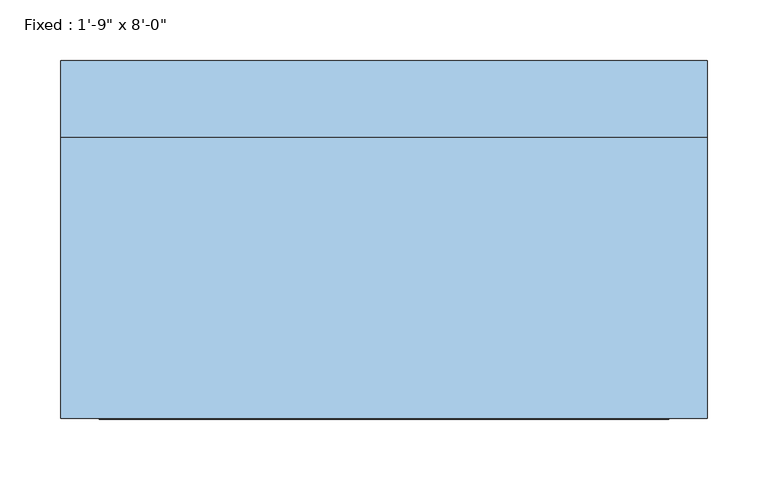
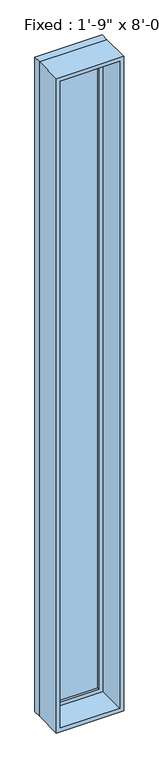
"""IFC4 building model written with IfcOpenShell, lengths in millimetres: window geometry."""

from ifc_helpers import new_model, si_unit, frame, origin, place, context, project, spatial, polyline, outline, extrude, source, transform, mapped, element, save


def window_bd4d290b(model_context):
    return source(origin(), model_context, "Body", "SweptSolid", [
        extrude(outline(polyline([(165.1, 100.0125), (-241.3, 100.0125), (-241.3, 112.7125), (165.1, 112.7125), (165.1, 100.0125)])), frame((0.0, 0.0, 292.1), z_axis=(0.0, 0.0, 1.0), x_axis=(1.0, 0.0, 0.0)), (0.0, 0.0, 1.0), 5359.4),
        extrude(outline(polyline([(5695.95, -285.75), (247.65, -285.75), (247.65, 209.55), (5695.95, 209.55), (5695.95, -285.75)]), holes=[polyline([(5651.5, -241.3), (5651.5, 165.1), (292.1, 165.1), (292.1, -241.3), (5651.5, -241.3)])]), frame((0.0, 84.1375, 0.0), z_axis=(0.0, 1.0, 0.0), x_axis=(0.0, 0.0, 1.0)), (0.0, 0.0, 1.0), 44.45),
        extrude(outline(polyline([(5715.0, -304.8), (228.6, -304.8), (228.6, 228.6), (5715.0, 228.6), (5715.0, -304.8)]), holes=[polyline([(5683.25, -273.05), (5683.25, 196.85), (260.35, 196.85), (260.35, -273.05), (5683.25, -273.05)])]), frame((0.0, -147.6375, 0.0), z_axis=(0.0, 1.0, 0.0), x_axis=(0.0, 0.0, 1.0)), (0.0, 0.0, 1.0), 231.775),
        extrude(outline(polyline([(5715.0, 228.6), (5715.0, -304.8), (228.6, -304.8), (228.6, 228.6), (5715.0, 228.6)]), holes=[polyline([(5695.95, 209.55), (247.65, 209.55), (247.65, -285.75), (5695.95, -285.75), (5695.95, 209.55)])]), frame((0.0, 84.1375, 0.0), z_axis=(0.0, 1.0, 0.0), x_axis=(0.0, 0.0, 1.0)), (0.0, 0.0, 1.0), 63.5),
    ])


if __name__ == "__main__":
    model = new_model("IFC4")
    model_context = context("Model", 3, world=origin())
    ifc_project = project(units=[si_unit("LENGTHUNIT", "METRE", prefix="MILLI")], contexts=[model_context])
    site = spatial("IfcSite", under=ifc_project)
    building = spatial("IfcBuilding", under=site)
    placement = place(None, origin())
    window_shape = window_bd4d290b(model_context)
    element("IfcWindow", 1, ObjectType="Fixed : 1'-9\" x 8'-0\"", at=placement, inside=building, context=model_context, shape_type="MappedRepresentation", body=[
        mapped(window_shape, transform((0.0, 0.0, 0.0), x_axis=(1.0, 0.0, 0.0), y_axis=(0.0, 1.0, 0.0), z_axis=(0.0, 0.0, 1.0))),
    ])
    save(model, "model.ifc")
